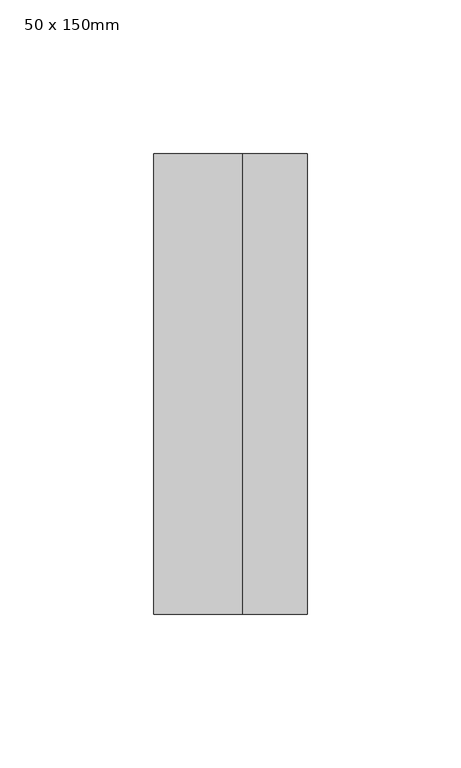
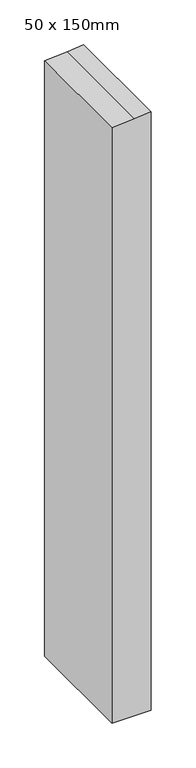
"""IFC4 building model written with IfcOpenShell, lengths in millimetres: member geometry, 50 x 150mm."""

from ifc_helpers import new_model, si_unit, frame, origin, place, context, project, spatial, polyline, outline, extrude, source, transform, mapped, element, save


def member_50_x_150mm_bf570421(model_context):
    return source(origin(), model_context, "Body", "SweptSolid", [
        extrude(outline(polyline([(-48.1523592, 25.0), (-49.8393678, 4.0046743), (-52.1699406, -25.0), (-860.3817514, -25.0), (-860.3817514, 25.0), (-48.1523592, 25.0)])), frame((0.0, -75.0, 0.0), z_axis=(0.0, 1.0, 0.0), x_axis=(0.0, 0.0, 1.0)), (0.0, 0.0, 1.0), 150.0),
    ])


if __name__ == "__main__":
    model = new_model("IFC4")
    model_context = context("Model", 3, world=origin())
    ifc_project = project(units=[si_unit("LENGTHUNIT", "METRE", prefix="MILLI")], contexts=[model_context])
    site = spatial("IfcSite", under=ifc_project)
    building = spatial("IfcBuilding", under=site)
    placement = place(None, origin())
    member_50_x_150mm_shape = member_50_x_150mm_bf570421(model_context)
    element("IfcMember", 1, ObjectType="50 x 150mm", at=placement, inside=building, context=model_context, shape_type="MappedRepresentation", body=[
        mapped(member_50_x_150mm_shape, transform((0.0, 0.0, 0.0), x_axis=(1.0, 0.0, 0.0), y_axis=(0.0, 1.0, 0.0), z_axis=(0.0, 0.0, 1.0))),
    ])
    save(model, "model.ifc")
